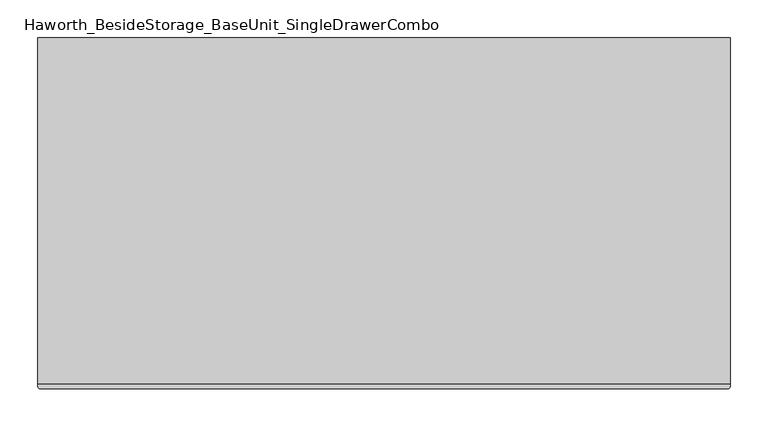
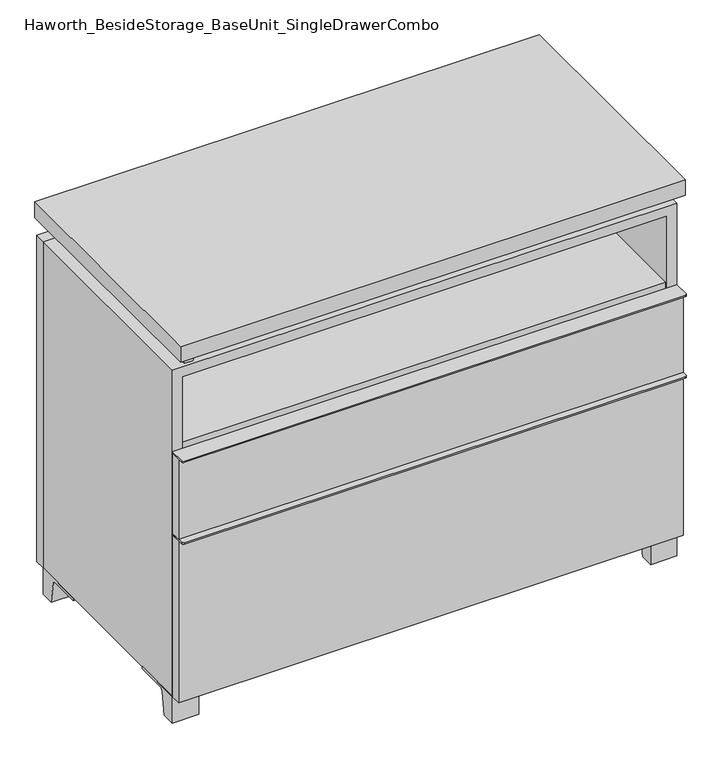
"""IFC4 building model written with IfcOpenShell, lengths in millimetres: furniture geometry, Haworth_BesideStorage_BaseUnit_SingleDrawerCombo."""

from ifc_helpers import new_model, si_unit, point, frame, frame_2d, origin, place, context, project, spatial, polyline, circle_curve, trimmed, segment, composite_curve, outline, extrude, source, transform, mapped, element, save


def haworth_besidestorage_baseunit_singledrawercombo_93735f6e(model_context):
    return source(origin(), model_context, "Body", "SweptSolid", [
        extrude(outline(polyline([(438.1638906, 222.25), (438.1638906, -136.525), (-438.1361094, -136.525), (-438.1361094, 222.25), (438.1638906, 222.25)])), frame((0.0, 0.0, 510.38125), z_axis=(0.0, 0.0, 1.0), x_axis=(1.0, 0.0, 0.0)), (0.0, 0.0, 1.0), 19.05),
        extrude(outline(composite_curve([segment(polyline([(457.2138906, -139.7), (457.2138906, -168.275)]), True, "CONTINUOUS"), segment(trimmed(circle_curve(frame_2d((454.0388906, -168.275)), 3.175), [point((457.2138906, -168.275))], [point((454.0388906, -171.45))], False, "CARTESIAN"), True, "CONTINUOUS"), segment(polyline([(454.0388906, -171.45), (-454.0111094, -171.45)]), True, "CONTINUOUS"), segment(trimmed(circle_curve(frame_2d((-454.0111094, -168.275)), 3.175), [point((-454.0111094, -171.45))], [point((-457.1861094, -168.275))], False, "CARTESIAN"), True, "CONTINUOUS"), segment(polyline([(-457.1861094, -168.275), (-457.1861094, -139.7), (457.2138906, -139.7)]), True, "CONTINUOUS")], self_intersect=False)), frame((0.0, 0.0, 517.525), z_axis=(0.0, 0.0, 1.0), x_axis=(1.0, 0.0, 0.0)), (0.0, 0.0, 1.0), 2.38125),
        extrude(outline(polyline([(457.2138906, -139.7), (457.2138906, -158.75), (-457.1861094, -158.75), (-457.1861094, -139.7), (457.2138906, -139.7)])), frame((0.0, 0.0, 363.5375), z_axis=(0.0, 0.0, 1.0), x_axis=(1.0, 0.0, 0.0)), (0.0, 0.0, 1.0), 153.9875),
        extrude(outline(composite_curve([segment(polyline([(457.2138906, -139.7), (457.2138906, -168.275)]), True, "CONTINUOUS"), segment(trimmed(circle_curve(frame_2d((454.0388906, -168.275)), 3.175), [point((457.2138906, -168.275))], [point((454.0388906, -171.45))], False, "CARTESIAN"), True, "CONTINUOUS"), segment(polyline([(454.0388906, -171.45), (-454.0111094, -171.45)]), True, "CONTINUOUS"), segment(trimmed(circle_curve(frame_2d((-454.0111094, -168.275)), 3.175), [point((-454.0111094, -171.45))], [point((-457.1861094, -168.275))], False, "CARTESIAN"), True, "CONTINUOUS"), segment(polyline([(-457.1861094, -168.275), (-457.1861094, -139.7), (457.2138906, -139.7)]), True, "CONTINUOUS")], self_intersect=False)), frame((0.0, 0.0, 361.15625), z_axis=(0.0, 0.0, 1.0), x_axis=(1.0, 0.0, 0.0)), (0.0, 0.0, 1.0), 2.38125),
        extrude(outline(polyline([(457.2138906, -139.7), (457.2138906, -158.75), (-457.1861094, -158.75), (-457.1861094, -139.7), (457.2138906, -139.7)])), frame((0.0, 0.0, 50.8), z_axis=(0.0, 0.0, 1.0), x_axis=(1.0, 0.0, 0.0)), (0.0, 0.0, 1.0), 310.35625),
        extrude(outline(polyline([(457.2138906, 292.1), (457.2138906, -165.1), (-457.1861094, -165.1), (-457.1861094, 292.1), (457.2138906, 292.1)])), frame((0.0, 0.0, 706.4375), z_axis=(0.0, 0.0, 1.0), x_axis=(1.0, 0.0, 0.0)), (0.0, 0.0, 1.0), 30.1625),
        extrude(outline(composite_curve([segment(polyline([(-114.3000136, 0.0), (-139.7, 0.0), (-139.7, 50.8), (-44.45, 50.8), (-44.45, 46.0213321), (-101.2505345, 46.0213321)]), True, "CONTINUOUS"), segment(trimmed(circle_curve(frame_2d((-101.2505345, 39.6713321)), 6.35), [point((-101.2505345, 46.0213321))], [point((-107.5141359, 40.7152656))], True, "CARTESIAN"), True, "CONTINUOUS"), segment(polyline([(-107.5141359, 40.7152656), (-114.3000136, 0.0)]), True, "CONTINUOUS")], self_intersect=False)), frame((409.5888906, 0.0, 0.0), z_axis=(1.0, 0.0, 0.0), x_axis=(0.0, 1.0, 0.0)), (0.0, 0.0, 1.0), 47.625),
        extrude(outline(composite_curve([segment(polyline([(241.3000136, 0.0), (234.5141359, 40.7152656)]), True, "CONTINUOUS"), segment(trimmed(circle_curve(frame_2d((228.2505345, 39.6713321)), 6.35), [point((234.5141359, 40.7152656))], [point((228.2505345, 46.0213321))], True, "CARTESIAN"), True, "CONTINUOUS"), segment(polyline([(228.2505345, 46.0213321), (171.45, 46.0213321), (171.45, 50.8), (266.7, 50.8), (266.7, 0.0), (241.3000136, 0.0)]), True, "CONTINUOUS")], self_intersect=False)), frame((409.5888906, 0.0, 0.0), z_axis=(1.0, 0.0, 0.0), x_axis=(0.0, 1.0, 0.0)), (0.0, 0.0, 1.0), 47.625),
        extrude(outline(composite_curve([segment(polyline([(-114.3000136, 0.0), (-139.7, 0.0), (-139.7, 50.8), (-44.45, 50.8), (-44.45, 46.0213321), (-101.2505345, 46.0213321)]), True, "CONTINUOUS"), segment(trimmed(circle_curve(frame_2d((-101.2505345, 39.6713321)), 6.35), [point((-101.2505345, 46.0213321))], [point((-107.5141359, 40.7152656))], True, "CARTESIAN"), True, "CONTINUOUS"), segment(polyline([(-107.5141359, 40.7152656), (-114.3000136, 0.0)]), True, "CONTINUOUS")], self_intersect=False)), frame((-457.1861094, 0.0, 0.0), z_axis=(1.0, 0.0, 0.0), x_axis=(0.0, 1.0, 0.0)), (0.0, 0.0, 1.0), 47.625),
        extrude(outline(composite_curve([segment(polyline([(241.3000136, 0.0), (234.5141359, 40.7152656)]), True, "CONTINUOUS"), segment(trimmed(circle_curve(frame_2d((228.2505345, 39.6713321)), 6.35), [point((234.5141359, 40.7152656))], [point((228.2505345, 46.0213321))], True, "CARTESIAN"), True, "CONTINUOUS"), segment(polyline([(228.2505345, 46.0213321), (171.45, 46.0213321), (171.45, 50.8), (266.7, 50.8), (266.7, 0.0), (241.3000136, 0.0)]), True, "CONTINUOUS")], self_intersect=False)), frame((-457.1861094, 0.0, 0.0), z_axis=(1.0, 0.0, 0.0), x_axis=(0.0, 1.0, 0.0)), (0.0, 0.0, 1.0), 47.625),
        extrude(outline(polyline([(-431.7791641, -133.35), (-431.7791641, 234.95), (-415.9041641, 234.95), (-415.9041641, 73.025), (415.9111094, 73.025), (415.9111094, 247.65), (431.7861094, 247.65), (431.7861094, -120.65), (415.9111094, -120.65), (415.9111094, 53.975), (-415.9041641, 53.975), (-415.9041641, -133.35), (-431.7791641, -133.35)])), frame((0.0, 0.0, 676.275), z_axis=(0.0, 0.0, 1.0), x_axis=(1.0, 0.0, 0.0)), (0.0, 0.0, 1.0), 30.1625),
        extrude(outline(polyline([(457.2138906, 266.7), (-457.1861094, 266.7), (-457.1861094, 285.75), (457.2138906, 285.75), (457.2138906, 266.7)])), frame((0.0, 0.0, 50.8), z_axis=(0.0, 0.0, 1.0), x_axis=(1.0, 0.0, 0.0)), (0.0, 0.0, 1.0), 625.475),
        extrude(outline(polyline([(50.8, -457.1861094), (50.8, 457.2), (676.275, 457.2), (676.275, -457.1861094), (50.8, -457.1861094)]), holes=[polyline([(69.85, -438.1361094), (657.225, -438.1361094), (657.225, 438.1361094), (69.85, 438.1361094), (69.85, -438.1361094)])]), frame((0.0, -139.7, 0.0), z_axis=(0.0, 1.0, 0.0), x_axis=(0.0, 0.0, 1.0)), (0.0, 0.0, 1.0), 406.4),
        extrude(outline(polyline([(-438.1291641, 234.95), (-438.1291641, 241.3), (438.1569453, 241.3), (438.1569453, 234.95), (-438.1291641, 234.95)])), frame((0.0, 0.0, 69.85), z_axis=(0.0, 0.0, 1.0), x_axis=(1.0, 0.0, 0.0)), (0.0, 0.0, 1.0), 587.375),
    ])


if __name__ == "__main__":
    model = new_model("IFC4")
    model_context = context("Model", 3, world=origin())
    ifc_project = project(units=[si_unit("LENGTHUNIT", "METRE", prefix="MILLI")], contexts=[model_context])
    site = spatial("IfcSite", under=ifc_project)
    building = spatial("IfcBuilding", under=site)
    placement = place(None, origin())
    haworth_besidestorage_baseunit_singledrawercombo_shape = haworth_besidestorage_baseunit_singledrawercombo_93735f6e(model_context)
    element("IfcFurniture", 1, ObjectType="Haworth_BesideStorage_BaseUnit_SingleDrawerCombo", at=placement, inside=building, context=model_context, shape_type="MappedRepresentation", body=[
        mapped(haworth_besidestorage_baseunit_singledrawercombo_shape, transform((0.0, 0.0, 0.0), x_axis=(1.0, 0.0, 0.0), y_axis=(0.0, 1.0, 0.0), z_axis=(0.0, 0.0, 1.0))),
    ])
    save(model, "model.ifc")
